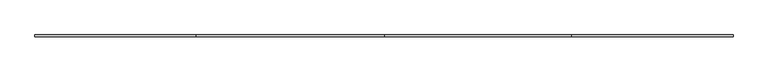
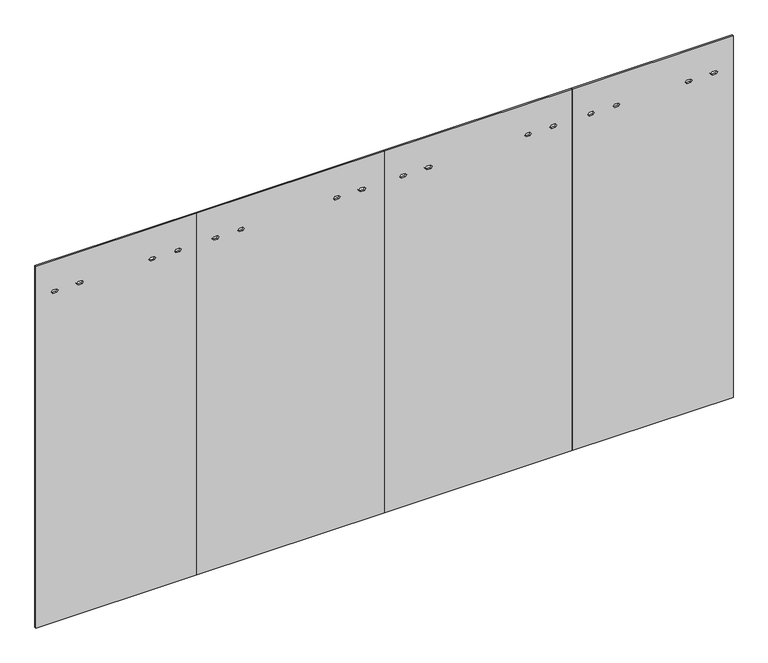
"""IFC4 building model written with IfcOpenShell, lengths in millimetres: furniture geometry."""

import ifcopenshell
import ifcopenshell.guid

model = None  # the IFC model being written
_history = None  # IfcOwnerHistory: only IFC2X3 demands one
_inside = {}  # id of a spatial element -> (the spatial element, [elements in it])
_under = {}  # id of a project, library or spatial element -> (it, [spatial elements below it])
_declared = {}  # id of a project -> (the project, [libraries it declares])
_typed = {}  # id of a type object -> (the type object, [elements of that type])
_made_of = {}  # id of a material, layer set ... -> (it, [elements and type objects made of it])


def new_model(schema):
    """Start an empty IFC model of exactly this schema.

    Asked for "IFC4X3", IfcOpenShell would pick the latest addendum, in which some entities
    have other attributes; the version numbers below select the first issue.
    IFC2X3 requires an IfcOwnerHistory on every rooted entity: one is made here for all.
    """
    global model, _history
    if schema == "IFC4X3":
        model = ifcopenshell.file(schema_version=(4, 3, 0, 0))
    else:
        model = ifcopenshell.file(schema=schema)
    _inside.clear()
    _under.clear()
    _declared.clear()
    _typed.clear()
    _made_of.clear()
    _history = None
    if model.schema == "IFC2X3":
        org = make("IfcOrganization", Name="unknown")
        user = make(
            "IfcPersonAndOrganization",
            ThePerson=make("IfcPerson", FamilyName="unknown"),
            TheOrganization=org,
        )
        app = make(
            "IfcApplication",
            ApplicationDeveloper=org,
            Version="unknown",
            ApplicationFullName="unknown",
            ApplicationIdentifier="unknown",
        )
        _history = make(
            "IfcOwnerHistory",
            OwningUser=user,
            OwningApplication=app,
            ChangeAction="ADDED",
            CreationDate=0,
        )
    return model


def make(cls, **values):
    """One entity of the class cls with the attributes given. An attribute that is None is left unset."""
    return model.create_entity(
        cls, **{name: value for name, value in values.items() if value is not None}
    )


def rooted(cls, **values):
    """An entity with a GlobalId (a new one), such as an element, a storey or a relation."""
    return make(cls, GlobalId=ifcopenshell.guid.new(), OwnerHistory=_history, **values)


def si_unit(unit_type, name, prefix=None):
    """IfcSIUnit, for example si_unit("LENGTHUNIT", "METRE", prefix="MILLI")."""
    return make("IfcSIUnit", UnitType=unit_type, Prefix=prefix, Name=name)


def assignment(units):
    """IfcUnitAssignment: the units of a project."""
    return None if units is None else make("IfcUnitAssignment", Units=units)


def point(xyz):
    """IfcCartesianPoint."""
    return None if xyz is None else make("IfcCartesianPoint", Coordinates=xyz)


def direction(xyz):
    """IfcDirection."""
    return None if xyz is None else make("IfcDirection", DirectionRatios=xyz)


def frame(location, z_axis=None, x_axis=None):
    """IfcAxis2Placement3D, a coordinate frame: its origin and axes. An axis left out is left unset."""
    return make(
        "IfcAxis2Placement3D",
        Location=point(location),
        Axis=direction(z_axis),
        RefDirection=direction(x_axis),
    )


def origin():
    """The frame at (0, 0, 0) with its axes left unset."""
    return frame((0.0, 0.0, 0.0))


def place(relative_to, where):
    """IfcLocalPlacement: puts the frame where relative to a parent placement (None: the world)."""
    return make(
        "IfcLocalPlacement", PlacementRelTo=relative_to, RelativePlacement=where
    )


def context(
    kind, dimensions, precision=None, world=None, true_north=None, identifier=None
):
    """IfcGeometricRepresentationContext, for example the 3D "Model" context."""
    return make(
        "IfcGeometricRepresentationContext",
        ContextIdentifier=identifier,
        ContextType=kind,
        CoordinateSpaceDimension=dimensions,
        Precision=precision,
        WorldCoordinateSystem=world,
        TrueNorth=true_north,
    )


def project(units=None, contexts=None):
    """IfcProject with its units and contexts."""
    return rooted(
        "IfcProject",
        Name="project",
        RepresentationContexts=contexts,
        UnitsInContext=assignment(units),
    )


def spatial(cls, under=None, at=None, **own):
    """A site, building, storey or space (cls), placed at a placement, below another one or the project."""
    s = rooted(cls, ObjectPlacement=at, **own)
    if under is not None:
        _under.setdefault(under.id(), (under, []))[1].append(s)
    return s


def polyline(points):
    """IfcPolyline through the points."""
    return make("IfcPolyline", Points=[point(p) for p in points])


def outline(outer, holes=None, kind="AREA"):
    """IfcArbitraryClosedProfileDef: a profile drawn as a closed curve; with holes, ...WithVoids."""
    if holes is None:
        return make("IfcArbitraryClosedProfileDef", ProfileType=kind, OuterCurve=outer)
    return make(
        "IfcArbitraryProfileDefWithVoids",
        ProfileType=kind,
        OuterCurve=outer,
        InnerCurves=holes,
    )


def extrude(swept, where, along, depth):
    """IfcExtrudedAreaSolid: the profile swept, set in the frame where, extruded along a direction by depth."""
    return make(
        "IfcExtrudedAreaSolid",
        SweptArea=swept,
        Position=where,
        ExtrudedDirection=direction(along),
        Depth=depth,
    )


def shape(context_of_items, identifier, shape_type, items):
    """IfcShapeRepresentation: the items that make up one representation, for example the "Body"."""
    return make(
        "IfcShapeRepresentation",
        ContextOfItems=context_of_items,
        RepresentationIdentifier=identifier,
        RepresentationType=shape_type,
        Items=items,
    )


def source(mapping_origin, context_of_items, identifier, shape_type, items):
    """IfcRepresentationMap: a shape defined once, which mapped items show again and again."""
    return make(
        "IfcRepresentationMap",
        MappingOrigin=mapping_origin,
        MappedRepresentation=shape(context_of_items, identifier, shape_type, items),
    )


def transform(
    local_origin,
    x_axis=None,
    y_axis=None,
    z_axis=None,
    scale=None,
    scale2=None,
    scale3=None,
    uniform=True,
):
    """IfcCartesianTransformationOperator3D, or its non-uniform kind. x_axis, y_axis, z_axis: its Axis1, 2, 3."""
    if uniform:
        return make(
            "IfcCartesianTransformationOperator3D",
            Axis1=direction(x_axis),
            Axis2=direction(y_axis),
            LocalOrigin=point(local_origin),
            Scale=scale,
            Axis3=direction(z_axis),
        )
    return make(
        "IfcCartesianTransformationOperator3DnonUniform",
        Axis1=direction(x_axis),
        Axis2=direction(y_axis),
        LocalOrigin=point(local_origin),
        Scale=scale,
        Axis3=direction(z_axis),
        Scale2=scale2,
        Scale3=scale3,
    )


def mapped(mapping_source, mapping_target):
    """IfcMappedItem: shows the shape of a source again, moved by a transform."""
    return make(
        "IfcMappedItem", MappingSource=mapping_source, MappingTarget=mapping_target
    )


def made_of(thing, what):
    """Note that an element or type object is made of a material, layer set ...; save() writes the relation."""
    if what is not None:
        _made_of.setdefault(what.id(), (what, []))[1].append(thing)
    return thing


def element(
    cls,
    number,
    at=None,
    inside=None,
    cuts=None,
    type_object=None,
    material=None,
    context=None,
    identifier="Body",
    shape_type=None,
    held_by="IfcProductDefinitionShape",
    body=None,
    shapes=None,
    **own,
):
    """One element of the class cls, such as IfcWall. Its Tag is "e" and its number.

    at: its placement. inside: the storey or other place that contains it. cuts: it is an
    opening in that element (IfcRelVoidsElement). A single representation is given by context,
    identifier, shape_type and body (its items); several are given by shapes. held_by: the class
    of the entity that holds the representations. save() writes the other relations.
    """
    e = rooted(cls, Tag="e%d" % number, ObjectPlacement=at, **own)
    if body is not None:
        shapes = [shape(context, identifier, shape_type, body)]
    if shapes is not None:
        e.Representation = make(held_by, Representations=shapes)
    if inside is not None:
        _inside.setdefault(inside.id(), (inside, []))[1].append(e)
    if cuts is not None:
        rooted(
            "IfcRelVoidsElement", RelatingBuildingElement=cuts, RelatedOpeningElement=e
        )
    if type_object is not None:
        _typed.setdefault(type_object.id(), (type_object, []))[1].append(e)
    return made_of(e, material)


def aggregate(whole, parts):
    """IfcRelAggregates: a whole, such as a stair, and the parts it consists of."""
    return rooted("IfcRelAggregates", RelatingObject=whole, RelatedObjects=parts)


def save(model, path):
    """Write the relations noted so far, then the file.

    IfcRelAggregates (storeys below a building ...), IfcRelContainedInSpatialStructure (elements
    in a storey), IfcRelDefinesByType, IfcRelAssociatesMaterial and IfcRelDeclares: one each for
    every whole, place, type object, material and project.
    """
    for whole, parts in _under.values():
        aggregate(whole, parts)
    for where, things in _inside.values():
        rooted(
            "IfcRelContainedInSpatialStructure",
            RelatedElements=things,
            RelatingStructure=where,
        )
    for kind, things in _typed.values():
        rooted("IfcRelDefinesByType", RelatedObjects=things, RelatingType=kind)
    for what, things in _made_of.values():
        rooted("IfcRelAssociatesMaterial", RelatedObjects=things, RelatingMaterial=what)
    for by, libraries in _declared.values():
        rooted("IfcRelDeclares", RelatingContext=by, RelatedDefinitions=libraries)
    model.write(path)


def furniture_dce8ccce(model_context):
    return source(origin(), model_context, "Body", "SweptSolid", [
        extrude(outline(polyline([(12.7, 3962.4), (2186.3010468, 3962.4), (2186.3010468, 3048.0), (12.7, 3048.0), (12.7, 3962.4)]), holes=[polyline([(2001.1032968, 3136.0299829), (2011.0981968, 3144.0817829), (2011.0981968, 3166.0781829), (2001.1032968, 3174.1299829), (1991.1083968, 3166.0781829), (1991.1083968, 3144.0817829), (2001.1032968, 3136.0299829)]), polyline([(2001.1032968, 3280.449983), (2011.0981968, 3288.501783), (2011.0981968, 3310.498183), (2001.1032968, 3318.549983), (1991.1083968, 3310.498183), (1991.1083968, 3288.501783), (2001.1032968, 3280.449983)]), polyline([(2001.1032968, 3691.850017), (2011.0981968, 3699.901817), (2011.0981968, 3721.898217), (2001.1032968, 3729.950017), (1991.1083968, 3721.898217), (1991.1083968, 3699.901817), (2001.1032968, 3691.850017)]), polyline([(2001.1032968, 3836.2700171), (2011.0981968, 3844.3218171), (2011.0981968, 3866.3182171), (2001.1032968, 3874.3700171), (1991.1083968, 3866.3182171), (1991.1083968, 3844.3218171), (2001.1032968, 3836.2700171)])]), frame((0.0, -4.7752, 0.0), z_axis=(0.0, 1.0, 0.0), x_axis=(0.0, 0.0, 1.0)), (0.0, 0.0, 1.0), 9.525),
        extrude(outline(polyline([(12.7, 1981.2), (2186.3010468, 1981.2), (2186.3010468, 914.4), (12.7, 914.4), (12.7, 1981.2)]), holes=[polyline([(2001.1032968, 1002.4299829), (2011.0981968, 1010.4817829), (2011.0981968, 1032.4781829), (2001.1032968, 1040.5299829), (1991.1083968, 1032.4781829), (1991.1083968, 1010.4817829), (2001.1032968, 1002.4299829)]), polyline([(2001.1032968, 1146.849983), (2011.0981968, 1154.901783), (2011.0981968, 1176.898183), (2001.1032968, 1184.949983), (1991.1083968, 1176.898183), (1991.1083968, 1154.901783), (2001.1032968, 1146.849983)]), polyline([(2001.1032968, 1691.600017), (2011.0981968, 1699.651817), (2011.0981968, 1721.648217), (2001.1032968, 1729.700017), (1991.1083968, 1721.648217), (1991.1083968, 1699.651817), (2001.1032968, 1691.600017)]), polyline([(2001.1032968, 1836.0200171), (2011.0981968, 1844.0718171), (2011.0981968, 1866.0682171), (2001.1032968, 1874.1200171), (1991.1083968, 1866.0682171), (1991.1083968, 1844.0718171), (2001.1032968, 1836.0200171)])]), frame((0.0, -4.7752, 0.0), z_axis=(0.0, 1.0, 0.0), x_axis=(0.0, 0.0, 1.0)), (0.0, 0.0, 1.0), 9.525),
        extrude(outline(polyline([(12.7, 1981.2), (12.7, 3048.0), (2186.3010468, 3048.0), (2186.3010468, 1981.2), (12.7, 1981.2)]), holes=[polyline([(2001.1032968, 2069.2299829), (2011.0981968, 2077.2817829), (2011.0981968, 2099.2781829), (2001.1032968, 2107.3299829), (1991.1083968, 2099.2781829), (1991.1083968, 2077.2817829), (2001.1032968, 2069.2299829)]), polyline([(2001.1032968, 2213.649983), (2011.0981968, 2221.701783), (2011.0981968, 2243.698183), (2001.1032968, 2251.749983), (1991.1083968, 2243.698183), (1991.1083968, 2221.701783), (2001.1032968, 2213.649983)]), polyline([(2001.1032968, 2777.450017), (2011.0981968, 2785.501817), (2011.0981968, 2807.498217), (2001.1032968, 2815.550017), (1991.1083968, 2807.498217), (1991.1083968, 2785.501817), (2001.1032968, 2777.450017)]), polyline([(2001.1032968, 2921.8700171), (2011.0981968, 2929.9218171), (2011.0981968, 2951.9182171), (2001.1032968, 2959.9700171), (1991.1083968, 2951.9182171), (1991.1083968, 2929.9218171), (2001.1032968, 2921.8700171)])]), frame((0.0, -4.7752, 0.0), z_axis=(0.0, 1.0, 0.0), x_axis=(0.0, 0.0, 1.0)), (0.0, 0.0, 1.0), 9.525),
        extrude(outline(polyline([(12.7, 0.0), (12.7, 914.4), (2186.3010468, 914.4), (2186.3010468, 0.0), (12.7, 0.0)]), holes=[polyline([(2001.1032968, 88.0299829), (2011.0981968, 96.0817829), (2011.0981968, 118.0781829), (2001.1032968, 126.1299829), (1991.1083968, 118.0781829), (1991.1083968, 96.0817829), (2001.1032968, 88.0299829)]), polyline([(2001.1032968, 232.449983), (2011.0981968, 240.501783), (2011.0981968, 262.498183), (2001.1032968, 270.549983), (1991.1083968, 262.498183), (1991.1083968, 240.501783), (2001.1032968, 232.449983)]), polyline([(2001.1032968, 643.850017), (2011.0981968, 651.901817), (2011.0981968, 673.898217), (2001.1032968, 681.950017), (1991.1083968, 673.898217), (1991.1083968, 651.901817), (2001.1032968, 643.850017)]), polyline([(2001.1032968, 788.2700171), (2011.0981968, 796.3218171), (2011.0981968, 818.3182171), (2001.1032968, 826.3700171), (1991.1083968, 818.3182171), (1991.1083968, 796.3218171), (2001.1032968, 788.2700171)])]), frame((0.0, -4.7752, 0.0), z_axis=(0.0, 1.0, 0.0), x_axis=(0.0, 0.0, 1.0)), (0.0, 0.0, 1.0), 9.525),
    ])


if __name__ == "__main__":
    model = new_model("IFC4")
    model_context = context("Model", 3, world=origin())
    ifc_project = project(units=[si_unit("LENGTHUNIT", "METRE", prefix="MILLI")], contexts=[model_context])
    site = spatial("IfcSite", under=ifc_project)
    building = spatial("IfcBuilding", under=site)
    placement = place(None, origin())
    furniture_shape = furniture_dce8ccce(model_context)
    element("IfcFurniture", 1, at=placement, inside=building, context=model_context, shape_type="MappedRepresentation", body=[
        mapped(furniture_shape, transform((0.0, 0.0, 0.0), x_axis=(1.0, 0.0, 0.0), y_axis=(0.0, 1.0, 0.0), z_axis=(0.0, 0.0, 1.0))),
    ])
    save(model, "model.ifc")
